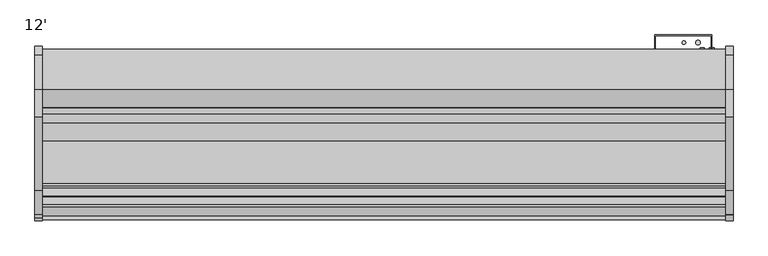
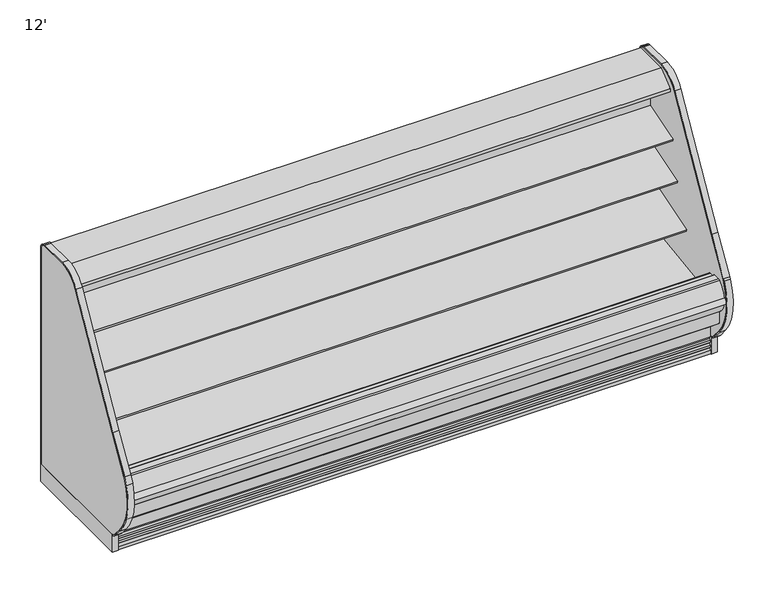
"""IFC4 building model written with IfcOpenShell, lengths in millimetres: proxy geometry, 12'."""

from ifc_helpers import new_model, si_unit, point, frame, frame_2d, origin, origin_with_axes, place, context, project, spatial, polyline, circle_curve, trimmed, segment, composite_curve, outline, extrude, source, transform, mapped, element, save
from ifc_brep_helpers import plane_surface, cylinder_surface, revolved_surface, advanced_brep


def proxy_12_2b42042c(model_context):
    return source(origin(), model_context, "Body", "SolidModel", [
        extrude(outline(composite_curve([segment(polyline([(-514.5091341, 1461.7730838), (-504.8016201, 1464.7713787), (-504.5349155, 1463.9078752), (-503.4677443, 1463.9078752), (-503.4677443, 1370.1435435), (-528.7629585, 1366.5907473)]), True, "CONTINUOUS"), segment(trimmed(circle_curve(frame_2d((-528.9028414, 1368.1644225)), 1.57988), [point((-528.7629585, 1366.5907473))], [point((-530.4673461, 1367.9445457))], False, "CARTESIAN"), True, "CONTINUOUS"), segment(polyline([(-530.4673461, 1367.9445457), (-531.3521558, 1374.2402938), (-530.5673882, 1374.3505857), (-529.5729936, 1367.2751005), (-505.9922352, 1370.58916), (-520.0882739, 1470.887687), (-542.8488553, 1467.8653314)]), True, "CONTINUOUS"), segment(trimmed(circle_curve(frame_2d((-542.745207, 1467.084783)), 0.7874), [point((-542.8488553, 1467.8653314))], [point((-543.5257554, 1466.9811347))], True, "CARTESIAN"), True, "CONTINUOUS"), segment(polyline([(-543.5257554, 1466.9811347), (-542.5026464, 1459.2763646), (-543.2831951, 1459.1727184), (-544.3063038, 1466.8774865)]), True, "CONTINUOUS"), segment(trimmed(circle_curve(frame_2d((-542.745207, 1467.084783)), 1.5748), [point((-544.3063038, 1466.8774865))], [point((-542.9525036, 1468.6458798))], False, "CARTESIAN"), True, "CONTINUOUS"), segment(polyline([(-542.9525036, 1468.6458798), (-518.9880924, 1471.8280909)]), True, "CONTINUOUS"), segment(trimmed(circle_curve(frame_2d((-518.7807959, 1470.2669941)), 1.5748), [point((-518.9880924, 1471.8280909))], [point((-517.2761312, 1470.7317298))], False, "CARTESIAN"), True, "CONTINUOUS"), segment(polyline([(-517.2761312, 1470.7317298), (-514.5091341, 1461.7730838)]), True, "CONTINUOUS")], self_intersect=False)), frame((0.0, 0.0, 0.0), z_axis=(1.0, 0.0, 0.0), x_axis=(0.0, 1.0, 0.0)), (0.0, 0.0, 1.0), 3657.6),
        extrude(outline(polyline([(-401.4996571, 1543.05), (-401.4996571, 1496.6220648), (-452.2996571, 1496.6220648), (-452.2996571, 1463.9078752), (-504.5349155, 1463.9078752), (-506.6141646, 1470.6398143), (-511.4086108, 1469.1589857), (-535.4786509, 1497.8445425), (-642.2469687, 1497.8445425), (-643.0851687, 1497.0063425), (-643.0851687, 1485.8811425), (-643.6432583, 1484.7023324), (-688.2811012, 1448.1263324), (-689.2470116, 1447.7811425), (-700.7436347, 1447.7811425), (-700.7436347, 1445.8493669), (-715.857653, 1445.8493669), (-715.857653, 1464.1183169), (-715.2644915, 1465.3619059), (-619.327685, 1543.05), (-401.4996571, 1543.05)])), frame((0.0, 0.0, 0.0), z_axis=(1.0, 0.0, 0.0), x_axis=(0.0, 1.0, 0.0)), (0.0, 0.0, 1.0), 3657.6),
        extrude(outline(composite_curve([segment(polyline([(-505.9922352, 1370.58916), (-529.5729936, 1367.2751005), (-530.5673882, 1374.3505857), (-542.4978224, 1459.2400359), (-543.5257554, 1466.9811347)]), True, "CONTINUOUS"), segment(trimmed(circle_curve(frame_2d((-542.745207, 1467.084783)), 0.7874), [point((-543.5257554, 1466.9811347))], [point((-542.8488553, 1467.8653314))], False, "CARTESIAN"), True, "CONTINUOUS"), segment(polyline([(-542.8488553, 1467.8653314), (-520.0882739, 1470.887687), (-505.9922352, 1370.58916)]), True, "CONTINUOUS")], self_intersect=False)), frame((0.0, 0.0, 0.0), z_axis=(1.0, 0.0, 0.0), x_axis=(0.0, 1.0, 0.0)), (0.0, 0.0, 1.0), 3657.6),
        extrude(outline(composite_curve([segment(trimmed(circle_curve(frame_2d((-586.8222651, 1471.8018376)), 14.2875), [point((-601.1097651, 1471.8018376))], [point((-572.5347651, 1471.8018376))], False, "CARTESIAN"), True, "CONTINUOUS"), segment(trimmed(circle_curve(frame_2d((-586.8222651, 1471.8018376)), 14.2875), [point((-572.5347651, 1471.8018376))], [point((-601.1097651, 1471.8018376))], False, "CARTESIAN"), True, "CONTINUOUS")], self_intersect=False)), frame((0.0, 0.0, 0.0), z_axis=(1.0, 0.0, 0.0), x_axis=(0.0, 1.0, 0.0)), (0.0, 0.0, 1.0), 1219.2),
        extrude(outline(composite_curve([segment(trimmed(circle_curve(frame_2d((-624.2110651, 1471.8018376)), 14.2875), [point((-638.4985651, 1471.8018376))], [point((-609.9235651, 1471.8018376))], False, "CARTESIAN"), True, "CONTINUOUS"), segment(trimmed(circle_curve(frame_2d((-624.2110651, 1471.8018376)), 14.2875), [point((-609.9235651, 1471.8018376))], [point((-638.4985651, 1471.8018376))], False, "CARTESIAN"), True, "CONTINUOUS")], self_intersect=False)), frame((0.0, 0.0, 0.0), z_axis=(1.0, 0.0, 0.0), x_axis=(0.0, 1.0, 0.0)), (0.0, 0.0, 1.0), 1219.2),
        extrude(outline(polyline([(3695.7, -385.6339273), (3695.7, -1152.4160029), (3657.6, -1152.4160029), (3657.6, -385.6339273), (3695.7, -385.6339273)])), origin_with_axes(), (0.0, 0.0, 1.0), 114.3),
        extrude(outline(composite_curve([segment(polyline([(-1152.4160029, 116.5798969), (-1152.4160029, 109.595887)]), True, "CONTINUOUS"), segment(trimmed(circle_curve(frame_2d((-1137.6967441, 171.4363524)), 63.5680717), [point((-1152.4160029, 109.595887))], [point((-1186.495575, 130.6984851))], False, "CARTESIAN"), True, "CONTINUOUS"), segment(polyline([(-1186.495575, 130.6984851), (-1238.6113068, 192.4078615)]), True, "CONTINUOUS"), segment(trimmed(circle_curve(frame_2d((-971.0702851, 416.9014342)), 349.25), [point((-1238.6113068, 192.4078615))], [point((-1290.6630685, 557.7418237))], False, "CARTESIAN"), True, "CONTINUOUS"), segment(trimmed(circle_curve(frame_2d((-1181.0473048, 509.9026614)), 119.6001718), [point((-1290.6630685, 557.7418237))], [point((-1283.5646612, 571.5013037))], False, "CARTESIAN"), True, "CONTINUOUS"), segment(polyline([(-1283.5646612, 571.5013037), (-1156.015482, 783.7787857), (-762.9420906, 1480.8530893)]), True, "CONTINUOUS"), segment(trimmed(circle_curve(frame_2d((-615.9139315, 1397.9453465)), 168.7926935), [point((-762.9420906, 1480.8530893))], [point((-615.9139315, 1566.73804))], False, "CARTESIAN"), True, "CONTINUOUS"), segment(polyline([(-615.9139315, 1566.73804), (-431.2380096, 1566.7610104)]), True, "CONTINUOUS"), segment(trimmed(circle_curve(frame_2d((-431.2324808, 1522.3110107)), 44.45), [point((-431.2380096, 1566.7610104))], [point((-386.7824808, 1522.3110107))], False, "CARTESIAN"), True, "CONTINUOUS"), segment(polyline([(-386.7824808, 1522.3110107), (-386.7824808, 114.3229711), (-393.1324808, 114.3229711), (-393.1324808, 1522.3110108)]), True, "CONTINUOUS"), segment(trimmed(circle_curve(frame_2d((-431.2324808, 1522.3110108)), 38.1), [point((-393.1324808, 1522.3110108))], [point((-431.2373794, 1560.4110104))], True, "CARTESIAN"), True, "CONTINUOUS"), segment(polyline([(-431.2373794, 1560.4110104), (-616.4365773, 1560.3871992)]), True, "CONTINUOUS"), segment(trimmed(circle_curve(frame_2d((-615.9139315, 1397.9453465)), 162.4426935), [point((-616.4365773, 1560.3871992))], [point((-757.4108748, 1477.7340908))], True, "CARTESIAN"), True, "CONTINUOUS"), segment(polyline([(-757.4108748, 1477.7340908), (-1150.5273223, 780.5834317), (-1281.3767651, 562.8133887)]), True, "CONTINUOUS"), segment(trimmed(circle_curve(frame_2d((-971.0702851, 416.9014342)), 342.9), [point((-1281.3767651, 562.8133887))], [point((-1233.7469246, 196.4895629))], True, "CARTESIAN"), True, "CONTINUOUS"), segment(polyline([(-1233.7469246, 196.4895629), (-1181.4257503, 135.1646002)]), True, "CONTINUOUS"), segment(trimmed(circle_curve(frame_2d((-1137.4891348, 171.8136543)), 57.2152021), [point((-1181.4257503, 135.1646002))], [point((-1152.4160029, 116.5798969))], True, "CARTESIAN"), True, "CONTINUOUS")], self_intersect=False)), frame((3657.6, 0.0, 0.0), z_axis=(1.0, 0.0, 0.0), x_axis=(0.0, 1.0, 0.0)), (0.0, 0.0, 1.0), 38.1),
        extrude(outline(composite_curve([segment(trimmed(circle_curve(frame_2d((-1137.0029315, 171.45)), 57.15), [point((-1152.4160029, 116.4176483))], [point((-1180.7823715, 134.7146881))], False, "CARTESIAN"), True, "CONTINUOUS"), segment(polyline([(-1180.7823715, 134.7146881), (-1233.7512633, 196.4665918)]), True, "CONTINUOUS"), segment(trimmed(circle_curve(frame_2d((-971.0746237, 416.8784632)), 342.9), [point((-1233.7512633, 196.4665918))], [point((-1281.3469933, 562.8629373))], False, "CARTESIAN"), True, "CONTINUOUS"), segment(polyline([(-1281.3469933, 562.8629373), (-1150.5273223, 780.5834317), (-757.4108748, 1477.7340908)]), True, "CONTINUOUS"), segment(trimmed(circle_curve(frame_2d((-615.9139315, 1397.9453465)), 162.4426935), [point((-757.4108748, 1477.7340908))], [point((-615.9139315, 1560.38804))], False, "CARTESIAN"), True, "CONTINUOUS"), segment(polyline([(-615.9139315, 1560.38804), (-430.0839273, 1560.38804)]), True, "CONTINUOUS"), segment(trimmed(circle_curve(frame_2d((-430.0839273, 1522.28804)), 38.1), [point((-430.0839273, 1560.38804))], [point((-391.9839273, 1522.28804))], False, "CARTESIAN"), True, "CONTINUOUS"), segment(polyline([(-391.9839273, 1522.28804), (-391.9839273, 114.3), (-1152.4160029, 114.3), (-1152.4160029, 116.4176483)]), True, "CONTINUOUS")], self_intersect=False)), frame((3657.6, 0.0, 0.0), z_axis=(1.0, 0.0, 0.0), x_axis=(0.0, 1.0, 0.0)), (0.0, 0.0, 1.0), 38.1),
        extrude(outline(composite_curve([segment(polyline([(-503.4770145, 920.8287489), (-520.8520366, 915.1919252)]), True, "CONTINUOUS"), segment(trimmed(circle_curve(frame_2d((-528.6901714, 939.3522986)), 25.4), [point((-520.8520366, 915.1919252))], [point((-538.1963728, 915.7982727))], False, "CARTESIAN"), True, "CONTINUOUS"), segment(polyline([(-538.1963728, 915.7982727), (-559.4917706, 924.3929113)]), True, "CONTINUOUS"), segment(trimmed(circle_curve(frame_2d((-583.257274, 865.5078465)), 63.5), [point((-559.4917706, 924.3929113))], [point((-594.1259367, 928.0707922))], True, "CARTESIAN"), True, "CONTINUOUS"), segment(polyline([(-594.1259367, 928.0707922), (-731.8940366, 910.7307584), (-734.3236807, 913.5856986), (-790.800009, 896.3191523), (-794.9587042, 909.9216311), (-503.4770145, 999.0365267), (-503.4770145, 920.8287489)]), True, "CONTINUOUS")], self_intersect=False)), frame((0.0, 0.0, 0.0), z_axis=(1.0, 0.0, 0.0), x_axis=(0.0, 1.0, 0.0)), (0.0, 0.0, 1.0), 3657.6),
        extrude(outline(composite_curve([segment(trimmed(circle_curve(frame_2d((-1293.046896, 431.6467295)), 19.6948721), [point((-1294.5628329, 412.0102858))], [point((-1294.1478613, 451.310805))], False, "CARTESIAN"), True, "CONTINUOUS"), segment(trimmed(circle_curve(frame_2d((-1122.0488977, 406.9971865)), 177.712549), [point((-1294.1478613, 451.310805))], [point((-1294.961171, 448.0227374))], True, "CARTESIAN"), True, "CONTINUOUS"), segment(trimmed(circle_curve(frame_2d((-1207.0580757, 430.9866152)), 89.5387269), [point((-1294.961171, 448.0227374))], [point((-1294.5628329, 412.0102858))], True, "CARTESIAN"), True, "CONTINUOUS")], self_intersect=False)), frame((0.0, 0.0, 0.0), z_axis=(1.0, 0.0, 0.0), x_axis=(0.0, 1.0, 0.0)), (0.0, 0.0, 1.0), 3657.6),
        extrude(outline(composite_curve([segment(trimmed(circle_curve(frame_2d((3497.8362287, -1007.9339273)), 12.7), [point((3485.1362287, -1007.9339273))], [point((3510.5362287, -1007.9339273))], False, "CARTESIAN"), True, "CONTINUOUS"), segment(trimmed(circle_curve(frame_2d((3497.8362287, -1007.9339273)), 12.7), [point((3510.5362287, -1007.9339273))], [point((3485.1362287, -1007.9339273))], False, "CARTESIAN"), True, "CONTINUOUS")], self_intersect=False)), frame((0.0, 0.0, 68.5310382), z_axis=(0.0, 0.0, 1.0), x_axis=(1.0, 0.0, 0.0)), (0.0, 0.0, 1.0), 52.7807458),
        extrude(outline(composite_curve([segment(trimmed(circle_curve(frame_2d((3447.63831, -1007.9339273)), 9.525), [point((3438.11331, -1007.9339273))], [point((3457.16331, -1007.9339273))], False, "CARTESIAN"), True, "CONTINUOUS"), segment(trimmed(circle_curve(frame_2d((3447.63831, -1007.9339273)), 9.525), [point((3457.16331, -1007.9339273))], [point((3438.11331, -1007.9339273))], False, "CARTESIAN"), True, "CONTINUOUS")], self_intersect=False)), frame((0.0, 0.0, 68.5310382), z_axis=(0.0, 0.0, 1.0), x_axis=(1.0, 0.0, 0.0)), (0.0, 0.0, 1.0), 52.7807458),
        extrude(outline(polyline([(0.0, -385.6339273), (0.0, -1152.4160029), (-38.1, -1152.4160029), (-38.1, -385.6339273), (0.0, -385.6339273)])), origin_with_axes(), (0.0, 0.0, 1.0), 114.3),
        extrude(outline(composite_curve([segment(polyline([(-1152.4160029, 116.5386609), (-1152.4160029, 109.5719159)]), True, "CONTINUOUS"), segment(trimmed(circle_curve(frame_2d((-1137.6993705, 171.4132571)), 63.5683156), [point((-1152.4160029, 109.5719159))], [point((-1186.4987719, 130.6756925))], False, "CARTESIAN"), True, "CONTINUOUS"), segment(polyline([(-1186.4987719, 130.6756925), (-1231.7344679, 184.4584385)]), True, "CONTINUOUS"), segment(trimmed(circle_curve(frame_2d((-971.0702851, 416.9014342)), 349.25), [point((-1231.7344679, 184.4584385))], [point((-1302.5796605, 526.7972782))], False, "CARTESIAN"), True, "CONTINUOUS"), segment(trimmed(circle_curve(frame_2d((-1021.326846, 433.5615578)), 296.3039744), [point((-1302.5796605, 526.7972782))], [point((-1283.5646612, 571.5013037))], False, "CARTESIAN"), True, "CONTINUOUS"), segment(polyline([(-1283.5646612, 571.5013037), (-1156.015482, 783.7787857), (-762.9420906, 1480.8530893)]), True, "CONTINUOUS"), segment(trimmed(circle_curve(frame_2d((-615.9139315, 1397.9453465)), 168.7926935), [point((-762.9420906, 1480.8530893))], [point((-615.9139315, 1566.73804))], False, "CARTESIAN"), True, "CONTINUOUS"), segment(polyline([(-615.9139315, 1566.73804), (-431.1541381, 1566.3062631)]), True, "CONTINUOUS"), segment(trimmed(circle_curve(frame_2d((-431.1541381, 1522.1043075)), 44.2019557), [point((-431.1541381, 1566.3062631))], [point((-386.9521824, 1522.1043075))], False, "CARTESIAN"), True, "CONTINUOUS"), segment(polyline([(-386.9521824, 1522.1043075), (-386.9521824, 114.3), (-393.1368195, 114.3), (-393.1368195, 1522.28804)]), True, "CONTINUOUS"), segment(trimmed(circle_curve(frame_2d((-431.2368195, 1522.28804)), 38.1), [point((-393.1368195, 1522.28804))], [point((-431.2368195, 1560.38804))], True, "CARTESIAN"), True, "CONTINUOUS"), segment(polyline([(-431.2368195, 1560.38804), (-615.9139315, 1560.38804)]), True, "CONTINUOUS"), segment(trimmed(circle_curve(frame_2d((-615.9139315, 1397.9453465)), 162.4426935), [point((-615.9139315, 1560.38804))], [point((-757.4108748, 1477.7340908))], True, "CARTESIAN"), True, "CONTINUOUS"), segment(polyline([(-757.4108748, 1477.7340908), (-1150.5273223, 780.5834317), (-1281.3469933, 562.8629373)]), True, "CONTINUOUS"), segment(trimmed(circle_curve(frame_2d((-971.0746237, 416.8784632)), 342.9), [point((-1281.3469933, 562.8629373))], [point((-1233.7512633, 196.4665918))], True, "CARTESIAN"), True, "CONTINUOUS"), segment(polyline([(-1233.7512633, 196.4665918), (-1181.2448323, 135.0745651)]), True, "CONTINUOUS"), segment(trimmed(circle_curve(frame_2d((-1137.3076402, 171.7232892)), 57.2154334), [point((-1181.2448323, 135.0745651))], [point((-1152.4160029, 116.5386609))], True, "CARTESIAN"), True, "CONTINUOUS")], self_intersect=False)), frame((-38.1, 0.0, 0.0), z_axis=(1.0, 0.0, 0.0), x_axis=(0.0, 1.0, 0.0)), (0.0, 0.0, 1.0), 38.1),
        extrude(outline(composite_curve([segment(trimmed(circle_curve(frame_2d((-1137.2511707, 171.7304997)), 57.2147041), [point((-1152.4160029, 116.562119))], [point((-1181.1891263, 135.0838297))], False, "CARTESIAN"), True, "CONTINUOUS"), segment(polyline([(-1181.1891263, 135.0838297), (-1233.4618414, 196.9898389)]), True, "CONTINUOUS"), segment(trimmed(circle_curve(frame_2d((-972.7472142, 417.1342414)), 341.2267205), [point((-1233.4618414, 196.9898389))], [point((-1282.8750242, 559.4592788))], False, "CARTESIAN"), True, "CONTINUOUS"), segment(trimmed(circle_curve(frame_2d((-1158.7397111, 498.0860076)), 138.4783535), [point((-1282.8750242, 559.4592788))], [point((-1277.4328013, 569.4176605))], False, "CARTESIAN"), True, "CONTINUOUS"), segment(polyline([(-1277.4328013, 569.4176605), (-1150.5273223, 780.5834317), (-757.4108748, 1477.7340908)]), True, "CONTINUOUS"), segment(trimmed(circle_curve(frame_2d((-615.9139315, 1397.9453465)), 162.4426935), [point((-757.4108748, 1477.7340908))], [point((-615.9139315, 1560.38804))], False, "CARTESIAN"), True, "CONTINUOUS"), segment(polyline([(-615.9139315, 1560.38804), (-431.2178632, 1560.2961463)]), True, "CONTINUOUS"), segment(trimmed(circle_curve(frame_2d((-431.2368195, 1522.196151)), 38.1), [point((-431.2178632, 1560.2961463))], [point((-393.1368195, 1522.196151))], False, "CARTESIAN"), True, "CONTINUOUS"), segment(polyline([(-393.1368195, 1522.196151), (-393.1368195, 114.2081157), (-1152.4160029, 114.2081157), (-1152.4160029, 116.562119)]), True, "CONTINUOUS")], self_intersect=False)), frame((-38.1, 0.0, 0.0), z_axis=(1.0, 0.0, 0.0), x_axis=(0.0, 1.0, 0.0)), (0.0, 0.0, 1.0), 38.1),
        extrude(outline(polyline([(3578.225, -401.5089273), (3578.225, -328.4839273), (3279.775, -328.4839273), (3279.775, -401.5089273), (3276.6, -401.5089273), (3276.6, -325.3089273), (3581.4, -325.3089273), (3581.4, -401.5089273), (3578.225, -401.5089273)])), frame((0.0, 0.0, 522.6122796), z_axis=(0.0, 0.0, 1.0), x_axis=(1.0, 0.0, 0.0)), (0.0, 0.0, 1.0), 828.7215991),
        advanced_brep(
        [(0.0, -401.5089273, 1496.6220648), (0.0, -401.5089273, 130.175), (0.0, -1092.9329421, 130.175), (0.0, -1242.6779256, 255.8259604), (0.0, -1242.6779256, 390.4771975), (0.0, -1191.6695874, 390.4771975), (0.0, -1191.6695874, 280.6965658), (0.0, -1081.6882807, 188.4112919), (0.0, -1075.5167374, 188.6268069), (0.0, -1036.8125365, 160.6272219), (0.0, -1035.5745571, 160.670453), (0.0, -1022.2030531, 151.6562137), (0.0, -961.9148015, 153.7615258), (0.0, -949.2046713, 163.6865559), (0.0, -947.966692, 163.7297871), (0.0, -911.2586215, 194.4039054), (0.0, -452.3089273, 210.4307819), (0.0, -452.3089273, 1496.6220648), (3657.6, -401.5089273, 1496.6220648), (3657.6, -452.3089273, 1496.6220648), (3657.6, -452.3089273, 210.4307819), (3657.6, -911.2586215, 194.4039054), (3657.6, -947.966692, 163.7297871), (3657.6, -949.2046713, 163.6865559), (3657.6, -961.9148015, 153.7615258), (3657.6, -1022.2030531, 151.6562137), (3657.6, -1035.5745571, 160.670453), (3657.6, -1036.8125365, 160.6272219), (3657.6, -1075.5167374, 188.6268069), (3657.6, -1081.6882807, 188.4112919), (3657.6, -1191.6695874, 280.6965658), (3657.6, -1191.6695874, 390.4771975), (3657.6, -1242.6779256, 390.4771975), (3657.6, -1242.6779256, 255.8259604), (3657.6, -1092.9329421, 130.175), (3657.6, -401.5089273, 130.175), (3556.0, -401.5089273, 368.3), (3556.0, -401.5089273, 266.7), (3556.0, -446.7209273, 266.7), (3556.0, -446.7209273, 368.3)],
        [
            (0, 1),
            (1, 2),
            (2, 3),
            (3, 4),
            (4, 5),
            (5, 6),
            (6, 7),
            (7, 8),
            (8, 9),
            (9, 10),
            (10, 11),
            (11, 12),
            (12, 13),
            (13, 14),
            (14, 15),
            (15, 16),
            (16, 17),
            (17, 0),
            (18, 19),
            (19, 20),
            (20, 21),
            (21, 22),
            (22, 23),
            (23, 24),
            (24, 25),
            (25, 26),
            (26, 27),
            (27, 28),
            (28, 29),
            (29, 30),
            (30, 31),
            (31, 32),
            (32, 33),
            (33, 34),
            (34, 35),
            (35, 18),
            (17, 19),
            (18, 0),
            (16, 20),
            (1, 35),
            (34, 2),
            (36, 37, circle_curve(frame((3556.0, -401.5089273, 317.5), z_axis=(0.0, -1.0, 0.0), x_axis=(0.0, 0.0, 1.0)), 50.8)),
            (37, 36, circle_curve(frame((3556.0, -401.5089273, 317.5), z_axis=(0.0, -1.0, 0.0), x_axis=(0.0, 0.0, 1.0)), 50.8)),
            (38, 39, circle_curve(frame((3556.0, -446.7209273, 317.5), z_axis=(0.0, 1.0, 0.0), x_axis=(0.0, 0.0, 1.0)), 50.8)),
            (39, 38, circle_curve(frame((3556.0, -446.7209273, 317.5), z_axis=(0.0, 1.0, 0.0), x_axis=(0.0, 0.0, 1.0)), 50.8)),
            (38, 37),
            (36, 39),
            (15, 21),
            (14, 22),
            (13, 23),
            (12, 24),
            (11, 25),
            (10, 26),
            (9, 27),
            (8, 28),
            (7, 29),
            (6, 30),
            (5, 31),
            (4, 32),
            (3, 33),
        ],
        [
            plane_surface(frame((0.0, -452.3089273, 1496.6220648), z_axis=(-1.0, 0.0, 0.0), x_axis=(0.0, 1.0, 0.0))),
            plane_surface(frame((3657.6, -452.3089273, 1496.6220648), z_axis=(1.0, 0.0, 0.0), x_axis=(0.0, -1.0, 0.0))),
            plane_surface(frame((3657.6, -401.5089273, 1496.6220648), z_axis=(0.0, 0.0, 1.0), x_axis=(-1.0, 0.0, 0.0))),
            plane_surface(frame((3657.6, -452.3089273, 1496.6220648), z_axis=(0.0, -1.0, 0.0), x_axis=(-1.0, 0.0, 0.0))),
            plane_surface(frame((3657.6, -1092.9329421, 130.175), z_axis=(0.0, 0.0, -1.0), x_axis=(-1.0, 0.0, 0.0))),
            plane_surface(frame((3657.6, -401.5089273, 130.175), z_axis=(0.0, 1.0, 0.0), x_axis=(-1.0, 0.0, 0.0))),
            plane_surface(frame((3556.0, -446.7209273, 368.3), z_axis=(0.0, 1.0, 0.0), x_axis=(-1.0, 0.0, 0.0))),
            revolved_surface(polyline([(3556.0, -401.5089273, 368.3), (3556.0, -446.7209273, 368.3)]), (3556.0, -446.7209273, 317.5), (0.0, 1.0, 0.0)),
            plane_surface(frame((3657.6, -452.3089273, 210.4307819), z_axis=(0.0, -0.034899496702464096, 0.9993908270190971), x_axis=(-1.0, 0.0, 0.0))),
            plane_surface(frame((3657.6, -911.2586215, 194.4039054), z_axis=(0.0, -0.6412208566386186, 0.7673563794037528), x_axis=(-1.0, 0.0, 0.0))),
            plane_surface(frame((3657.6, -947.966692, 163.7297871), z_axis=(0.0, -0.03489949670032392, 0.9993908270191718), x_axis=(-1.0, 0.0, 0.0))),
            plane_surface(frame((3657.6, -949.2046713, 163.6865559), z_axis=(0.0, -0.6154607629252682, 0.7881675261639793), x_axis=(-1.0, 0.0, 0.0))),
            plane_surface(frame((3657.6, -961.9148015, 153.7615258), z_axis=(0.0, -0.03489949670245096, 0.9993908270190975), x_axis=(-1.0, 0.0, 0.0))),
            plane_surface(frame((3657.6, -1022.2030531, 151.6562137), z_axis=(0.0, 0.5589817440968015, 0.8291799622316606), x_axis=(-1.0, 0.0, 0.0))),
            plane_surface(frame((3657.6, -1035.5745571, 160.670453), z_axis=(0.0, -0.03489949670146529, 0.999390827019132), x_axis=(-1.0, 0.0, 0.0))),
            plane_surface(frame((3657.6, -1036.8125365, 160.6272219), z_axis=(0.0, 0.5861307997256017, 0.810216443682197), x_axis=(-1.0, 0.0, 0.0))),
            plane_surface(frame((3657.6, -1075.5167374, 188.6268069), z_axis=(0.0, -0.034899496703538944, 0.9993908270190596), x_axis=(-1.0, 0.0, 0.0))),
            plane_surface(frame((3657.6, -1081.6882807, 188.4112919), z_axis=(0.0, 0.6427876096870883, 0.7660444431185175), x_axis=(-1.0, 0.0, 0.0))),
            plane_surface(frame((3657.6, -1191.6695874, 280.6965658), z_axis=(0.0, 1.0, 0.0), x_axis=(-1.0, 0.0, 0.0))),
            plane_surface(frame((3657.6, -1191.6695874, 390.4771975), z_axis=(0.0, 0.0, 1.0), x_axis=(-1.0, 0.0, 0.0))),
            plane_surface(frame((3657.6, -1242.6779256, 390.4771975), z_axis=(0.0, -1.0, 0.0), x_axis=(-1.0, 0.0, 0.0))),
            plane_surface(frame((3657.6, -1242.6779256, 255.8259604), z_axis=(0.0, -0.6427876096870784, -0.7660444431185257), x_axis=(-1.0, 0.0, 0.0))),
        ],
        [
            (0, [[1, 2, 3, 4, 5, 6, 7, 8, 9, 10, 11, 12, 13, 14, 15, 16, 17, 18]]),
            (1, [[19, 20, 21, 22, 23, 24, 25, 26, 27, 28, 29, 30, 31, 32, 33, 34, 35, 36]]),
            (2, [[-18, 37, -19, 38]]),
            (3, [[-17, 39, -20, -37]]),
            (4, [[-2, 40, -35, 41]]),
            (5, [[-1, -38, -36, -40], [42, 43]]),
            (6, [[44, 45]]),
            (7, [[-44, 46, -42, 47]]),
            (7, [[-45, -47, -43, -46]]),
            (8, [[-16, 48, -21, -39]]),
            (9, [[-15, 49, -22, -48]]),
            (10, [[-14, 50, -23, -49]]),
            (11, [[-13, 51, -24, -50]]),
            (12, [[-12, 52, -25, -51]]),
            (13, [[-11, 53, -26, -52]]),
            (14, [[-10, 54, -27, -53]]),
            (15, [[-9, 55, -28, -54]]),
            (16, [[-8, 56, -29, -55]]),
            (17, [[-7, 57, -30, -56]]),
            (18, [[-6, 58, -31, -57]]),
            (19, [[-5, 59, -32, -58]]),
            (20, [[-4, 60, -33, -59]]),
            (21, [[-3, -41, -34, -60]]),
        ],
    ),
        extrude(outline(composite_curve([segment(polyline([(-503.4770145, 1229.6443045), (-503.4770145, 1151.1243135), (-520.8520366, 1145.4874898)]), True, "CONTINUOUS"), segment(trimmed(circle_curve(frame_2d((-528.6901714, 1169.6478632)), 25.4), [point((-520.8520366, 1145.4874898))], [point((-538.1963728, 1146.0938373))], False, "CARTESIAN"), True, "CONTINUOUS"), segment(polyline([(-538.1963728, 1146.0938373), (-559.4917706, 1154.6884758)]), True, "CONTINUOUS"), segment(trimmed(circle_curve(frame_2d((-583.257274, 1095.8034111)), 63.5), [point((-559.4917706, 1154.6884758))], [point((-594.1259367, 1158.3663568))], True, "CARTESIAN"), True, "CONTINUOUS"), segment(polyline([(-594.1259367, 1158.3663568), (-683.313755, 1155.8788055), (-685.7433991, 1158.7337458), (-742.2197274, 1141.4671994), (-746.4657163, 1155.3552031), (-503.4770145, 1229.6443045)]), True, "CONTINUOUS")], self_intersect=False)), frame((0.0, 0.0, 0.0), z_axis=(1.0, 0.0, 0.0), x_axis=(0.0, 1.0, 0.0)), (0.0, 0.0, 1.0), 3657.6),
        extrude(outline(composite_curve([segment(polyline([(-503.4770145, 694.2615222), (-521.9044919, 688.2832597)]), True, "CONTINUOUS"), segment(trimmed(circle_curve(frame_2d((-528.6901714, 712.7600764)), 25.4), [point((-521.9044919, 688.2832597))], [point((-538.1963728, 689.2060505))], False, "CARTESIAN"), True, "CONTINUOUS"), segment(polyline([(-538.1963728, 689.2060505), (-559.4917706, 697.8006891)]), True, "CONTINUOUS"), segment(trimmed(circle_curve(frame_2d((-583.257274, 638.9156243)), 63.5), [point((-559.4917706, 697.8006891))], [point((-594.1259367, 701.47857))], True, "CARTESIAN"), True, "CONTINUOUS"), segment(polyline([(-594.1259367, 701.47857), (-829.0545998, 654.433571), (-831.4842439, 657.2885112), (-887.9605722, 640.0219649), (-892.1192674, 653.6244437), (-503.4770145, 772.4443045), (-503.4770145, 694.2615222)]), True, "CONTINUOUS")], self_intersect=False)), frame((0.0, 0.0, 0.0), z_axis=(1.0, 0.0, 0.0), x_axis=(0.0, 1.0, 0.0)), (0.0, 0.0, 1.0), 3657.6),
        extrude(outline(composite_curve([segment(polyline([(-1232.9683917, 539.75), (-1190.5503917, 539.75)]), True, "CONTINUOUS"), segment(trimmed(circle_curve(frame_2d((-1190.5503917, 536.575)), 3.175), [point((-1190.5503917, 539.75))], [point((-1187.3753917, 536.575))], False, "CARTESIAN"), True, "CONTINUOUS"), segment(polyline([(-1187.3753917, 536.575), (-1187.3753917, 522.6122796), (-1191.6695874, 522.6122796), (-1191.6695874, 390.4771975), (-1242.6779256, 390.4771975), (-1242.6779256, 349.7062579), (-1260.1512454, 349.7062579)]), True, "CONTINUOUS"), segment(trimmed(circle_curve(frame_2d((-1260.1512454, 355.8622108)), 6.1559529), [point((-1260.1512454, 349.7062579))], [point((-1264.7308437, 351.7484491))], False, "CARTESIAN"), True, "CONTINUOUS"), segment(trimmed(circle_curve(frame_2d((-1169.5637477, 436.1498983)), 127.2021258), [point((-1264.7308437, 351.7484491))], [point((-1296.5567312, 443.441191))], False, "CARTESIAN"), True, "CONTINUOUS"), segment(trimmed(circle_curve(frame_2d((-1122.94688, 405.0685499)), 177.8), [point((-1296.5567312, 443.441191))], [point((-1243.7548144, 535.5226912))], False, "CARTESIAN"), True, "CONTINUOUS"), segment(trimmed(circle_curve(frame_2d((-1232.9683917, 523.875)), 15.875), [point((-1243.7548144, 535.5226912))], [point((-1232.9683917, 539.75))], False, "CARTESIAN"), True, "CONTINUOUS")], self_intersect=False)), frame((0.0, 0.0, 0.0), z_axis=(1.0, 0.0, 0.0), x_axis=(0.0, 1.0, 0.0)), (0.0, 0.0, 1.0), 3657.6),
        extrude(outline(composite_curve([segment(polyline([(-1117.0624519, 150.4220627), (-1117.0624519, 0.0), (-1148.0584493, 0.0), (-1148.0584493, 21.591952)]), True, "CONTINUOUS"), segment(trimmed(circle_curve(frame_2d((-1147.5226258, 35.2873287)), 13.7058546), [point((-1148.0584493, 21.591952))], [point((-1134.4406464, 31.1992648))], True, "CARTESIAN"), True, "CONTINUOUS"), segment(polyline([(-1134.4406464, 31.1992648), (-1131.6258599, 40.2067021), (-1143.5826446, 40.2067021), (-1143.5826446, 52.9067021)]), True, "CONTINUOUS"), segment(trimmed(circle_curve(frame_2d((-1148.0005124, 66.4088493)), 14.2065314), [point((-1143.5826446, 52.9067021))], [point((-1134.4406464, 62.1714479))], True, "CARTESIAN"), True, "CONTINUOUS"), segment(polyline([(-1134.4406464, 62.1714479), (-1131.6258599, 71.1788852), (-1143.5826446, 71.1788852), (-1143.5826446, 83.8788852)]), True, "CONTINUOUS"), segment(trimmed(circle_curve(frame_2d((-1148.0728877, 97.4524489)), 14.2969897), [point((-1143.5826446, 83.8788852))], [point((-1134.4406464, 93.143631))], True, "CARTESIAN"), True, "CONTINUOUS"), segment(polyline([(-1134.4406464, 93.143631), (-1130.9515493, 104.1824391), (-1130.9515493, 107.8329403), (-1143.8191893, 107.8329403), (-1143.8191893, 172.8736313), (-1117.0624519, 150.4220627)]), True, "CONTINUOUS")], self_intersect=False)), frame((0.0, 0.0, 0.0), z_axis=(1.0, 0.0, 0.0), x_axis=(0.0, 1.0, 0.0)), (0.0, 0.0, 1.0), 3657.6),
        extrude(outline(composite_curve([segment(trimmed(circle_curve(frame_2d((3432.175, -366.5839273)), 9.525), [point((3422.65, -366.5839273))], [point((3441.7, -366.5839273))], False, "CARTESIAN"), True, "CONTINUOUS"), segment(trimmed(circle_curve(frame_2d((3432.175, -366.5839273)), 9.525), [point((3441.7, -366.5839273))], [point((3422.65, -366.5839273))], False, "CARTESIAN"), True, "CONTINUOUS")], self_intersect=False)), frame((0.0, 0.0, 1070.4944621), z_axis=(0.0, 0.0, 1.0), x_axis=(1.0, 0.0, 0.0)), (0.0, 0.0, 1.0), 291.1992178),
        extrude(outline(composite_curve([segment(trimmed(circle_curve(frame_2d((3508.375, -366.5839273)), 12.7), [point((3495.675, -366.5839273))], [point((3521.075, -366.5839273))], False, "CARTESIAN"), True, "CONTINUOUS"), segment(trimmed(circle_curve(frame_2d((3508.375, -366.5839273)), 12.7), [point((3521.075, -366.5839273))], [point((3495.675, -366.5839273))], False, "CARTESIAN"), True, "CONTINUOUS")], self_intersect=False)), frame((0.0, 0.0, 1070.4944621), z_axis=(0.0, 0.0, 1.0), x_axis=(1.0, 0.0, 0.0)), (0.0, 0.0, 1.0), 291.1992178),
        extrude(outline(composite_curve([segment(trimmed(circle_curve(frame_2d((317.5, 3581.4)), 12.7), [point((317.5, 3594.1))], [point((317.5, 3568.7))], False, "CARTESIAN"), True, "CONTINUOUS"), segment(trimmed(circle_curve(frame_2d((317.5, 3581.4)), 12.7), [point((317.5, 3568.7))], [point((317.5, 3594.1))], False, "CARTESIAN"), True, "CONTINUOUS")], self_intersect=False)), frame((0.0, -446.7209273, 0.0), z_axis=(0.0, 1.0, 0.0), x_axis=(0.0, 0.0, 1.0)), (0.0, 0.0, 1.0), 52.8518438),
        extrude(outline(composite_curve([segment(trimmed(circle_curve(frame_2d((317.5, 3530.6)), 9.525), [point((317.5, 3540.125))], [point((317.5, 3521.075))], False, "CARTESIAN"), True, "CONTINUOUS"), segment(trimmed(circle_curve(frame_2d((317.5, 3530.6)), 9.525), [point((317.5, 3521.075))], [point((317.5, 3540.125))], False, "CARTESIAN"), True, "CONTINUOUS")], self_intersect=False)), frame((0.0, -446.7209273, 0.0), z_axis=(0.0, 1.0, 0.0), x_axis=(0.0, 0.0, 1.0)), (0.0, 0.0, 1.0), 52.8518438),
        extrude(outline(composite_curve([segment(trimmed(circle_curve(frame_2d((1828.8, -988.8839273)), 38.1), [point((1790.7, -988.8839273))], [point((1866.9, -988.8839273))], False, "CARTESIAN"), True, "CONTINUOUS"), segment(trimmed(circle_curve(frame_2d((1828.8, -988.8839273)), 38.1), [point((1866.9, -988.8839273))], [point((1790.7, -988.8839273))], False, "CARTESIAN"), True, "CONTINUOUS")], self_intersect=False)), frame((0.0, 0.0, 68.5310382), z_axis=(0.0, 0.0, 1.0), x_axis=(1.0, 0.0, 0.0)), (0.0, 0.0, 1.0), 52.7807458),
        advanced_brep(
        [(0.0, -1018.0355073, 16.9113003), (0.0, -1117.0624519, 16.9113003), (0.0, -1117.0624519, 150.4220627), (0.0, -1092.9329421, 130.175), (0.0, -1018.0355073, 130.175), (3657.6, -1018.0355073, 16.9113003), (3657.6, -1018.0355073, 130.175), (3657.6, -1092.9329421, 130.175), (3657.6, -1117.0624519, 150.4220627), (3657.6, -1117.0624519, 16.9113003), (3526.4105208, -1018.0355073, 16.9113003), (3526.4105208, -1018.0355073, 121.311784), (3426.8394792, -1018.0355073, 121.311784), (3426.8394792, -1018.0355073, 16.9113003), (1870.4031896, -1018.0355073, 16.9113003), (1870.4031896, -1018.0355073, 121.311784), (1787.1968104, -1018.0355073, 121.311784), (1787.1968104, -1018.0355073, 16.9113003)],
        [
            (0, 1),
            (1, 2),
            (2, 3),
            (3, 4),
            (4, 0),
            (5, 6),
            (6, 7),
            (7, 8),
            (8, 9),
            (9, 5),
            (4, 6),
            (5, 10),
            (10, 11),
            (11, 12),
            (12, 13),
            (13, 14),
            (14, 15),
            (15, 16),
            (16, 17),
            (17, 0),
            (3, 7),
            (17, 14, circle_curve(frame((1828.8, -988.8839273, 16.9113003), z_axis=(0.0, 0.0, 1.0), x_axis=(1.0, 0.0, 0.0)), 50.8)),
            (13, 10, circle_curve(frame((3476.625, -1007.9339273, 16.9113003), z_axis=(0.0, 0.0, 1.0), x_axis=(1.0, 0.0, 0.0)), 50.8)),
            (9, 1),
            (15, 16, circle_curve(frame((1828.8, -988.8839273, 121.311784), z_axis=(0.0, 0.0, -1.0), x_axis=(1.0, 0.0, 0.0)), 50.8)),
            (8, 2),
            (11, 12, circle_curve(frame((3476.625, -1007.9339273, 121.311784), z_axis=(0.0, 0.0, -1.0), x_axis=(1.0, 0.0, 0.0)), 50.8)),
        ],
        [
            plane_surface(frame((0.0, -1018.0355073, 130.175), z_axis=(-1.0, 0.0, 0.0), x_axis=(0.0, 0.0, -1.0))),
            plane_surface(frame((3657.6, -1018.0355073, 130.175), z_axis=(1.0, 0.0, 0.0), x_axis=(0.0, 0.0, 1.0))),
            plane_surface(frame((3657.6, -1018.0355073, 16.9113003), z_axis=(0.0, 1.0, 0.0), x_axis=(-1.0, 0.0, 0.0))),
            plane_surface(frame((3657.6, -1018.0355073, 130.175), z_axis=(0.0, 0.0, 1.0), x_axis=(-1.0, 0.0, 0.0))),
            plane_surface(frame((3657.6, -1117.0624519, 16.9113003), z_axis=(0.0, 0.0, -1.0), x_axis=(-1.0, 0.0, 0.0))),
            plane_surface(frame((1879.6, -988.8839273, 121.311784), z_axis=(0.0, 0.0, -1.0), x_axis=(0.0, 1.0, 0.0))),
            revolved_surface(polyline([(1879.6, -988.8839273, 121.311784), (1879.6, -988.8839273, 16.9113003)]), (1828.8, -988.8839273, 0.0), (0.0, 0.0, 1.0)),
            plane_surface(frame((3657.6, -1117.0624519, 150.4220627), z_axis=(0.0, -1.0, 0.0), x_axis=(-1.0, 0.0, 0.0))),
            plane_surface(frame((3657.6, -1092.9329421, 130.175), z_axis=(0.0, 0.6427876096870792, 0.766044443118525), x_axis=(-1.0, 0.0, 0.0))),
            plane_surface(frame((3527.425, -1007.9339273, 121.311784), z_axis=(0.0, 0.0, -1.0), x_axis=(0.0, 1.0, 0.0))),
            revolved_surface(polyline([(3527.425, -1007.9339273, 121.311784), (3527.425, -1007.9339273, 16.9113003)]), (3476.625, -1007.9339273, 0.0), (0.0, 0.0, 1.0)),
        ],
        [
            (0, [[1, 2, 3, 4, 5]]),
            (1, [[6, 7, 8, 9, 10]]),
            (2, [[-5, 11, -6, 12, 13, 14, 15, 16, 17, 18, 19, 20]]),
            (3, [[-4, 21, -7, -11]]),
            (4, [[-1, -20, 22, -16, 23, -12, -10, 24]]),
            (5, [[25, -18]]),
            (6, [[-25, -17, -22, -19]]),
            (7, [[-2, -24, -9, 26]]),
            (8, [[-3, -26, -8, -21]]),
            (9, [[27, -14]]),
            (10, [[-27, -13, -23, -15]]),
        ],
    ),
        advanced_brep(
        [(0.0, -401.5089273, 130.175), (0.0, -401.5089273, 0.0), (0.0, -446.7209273, 0.0), (0.0, -446.7209273, 74.8810382), (0.0, -972.7046625, 74.8810382), (0.0, -972.7046625, 0.0), (0.0, -1018.0355073, 0.0), (0.0, -1018.0355073, 130.175), (3657.6, -401.5089273, 130.175), (3657.6, -1018.0355073, 130.175), (3657.6, -1018.0355073, 0.0), (3657.6, -972.7046625, 0.0), (3657.6, -972.7046625, 74.8810382), (3657.6, -446.7209273, 74.8810382), (3657.6, -446.7209273, 0.0), (3657.6, -401.5089273, 0.0), (1787.1968104, -1018.0355073, 0.0), (1787.1968104, -1018.0355073, 121.311784), (1870.4031896, -1018.0355073, 121.311784), (1870.4031896, -1018.0355073, 0.0), (3426.8394792, -1018.0355073, 0.0), (3426.8394792, -1018.0355073, 121.311784), (3526.4105208, -1018.0355073, 121.311784), (3526.4105208, -1018.0355073, 0.0), (1780.6453388, -972.7046625, 0.0), (1778.0, -988.8839273, 0.0), (3527.425, -1007.9339273, 0.0), (3513.2247118, -972.7046625, 0.0), (1879.6, -988.8839273, 0.0), (1876.9546612, -972.7046625, 0.0), (3440.0252882, -972.7046625, 0.0), (3425.825, -1007.9339273, 0.0), (1780.6453388, -972.7046625, 74.8810382), (3513.2247118, -972.7046625, 74.8810382), (1876.9546612, -972.7046625, 74.8810382), (3440.0252882, -972.7046625, 74.8810382), (1778.0, -988.8839273, 121.311784), (1879.6, -988.8839273, 121.311784), (3425.825, -1007.9339273, 121.311784), (3527.425, -1007.9339273, 121.311784)],
        [
            (0, 1),
            (1, 2),
            (2, 3),
            (3, 4),
            (4, 5),
            (5, 6),
            (6, 7),
            (7, 0),
            (8, 9),
            (9, 10),
            (10, 11),
            (11, 12),
            (12, 13),
            (13, 14),
            (14, 15),
            (15, 8),
            (7, 9),
            (8, 0),
            (6, 16),
            (16, 17),
            (17, 18),
            (18, 19),
            (19, 20),
            (20, 21),
            (21, 22),
            (22, 23),
            (23, 10),
            (5, 24),
            (24, 25, circle_curve(frame((1828.8, -988.8839273, 0.0), z_axis=(0.0, 0.0, 1.0), x_axis=(1.0, 0.0, 0.0)), 50.8)),
            (25, 16, circle_curve(frame((1828.8, -988.8839273, 0.0), z_axis=(0.0, 0.0, 1.0), x_axis=(1.0, 0.0, 0.0)), 50.8)),
            (23, 26, circle_curve(frame((3476.625, -1007.9339273, 0.0), z_axis=(0.0, 0.0, 1.0), x_axis=(1.0, 0.0, 0.0)), 50.8)),
            (26, 27, circle_curve(frame((3476.625, -1007.9339273, 0.0), z_axis=(0.0, 0.0, 1.0), x_axis=(1.0, 0.0, 0.0)), 50.8)),
            (27, 11),
            (19, 28, circle_curve(frame((1828.8, -988.8839273, 0.0), z_axis=(0.0, 0.0, 1.0), x_axis=(1.0, 0.0, 0.0)), 50.8)),
            (28, 29, circle_curve(frame((1828.8, -988.8839273, 0.0), z_axis=(0.0, 0.0, 1.0), x_axis=(1.0, 0.0, 0.0)), 50.8)),
            (29, 30),
            (30, 31, circle_curve(frame((3476.625, -1007.9339273, 0.0), z_axis=(0.0, 0.0, 1.0), x_axis=(1.0, 0.0, 0.0)), 50.8)),
            (31, 20, circle_curve(frame((3476.625, -1007.9339273, 0.0), z_axis=(0.0, 0.0, 1.0), x_axis=(1.0, 0.0, 0.0)), 50.8)),
            (4, 32),
            (32, 24),
            (27, 33),
            (33, 12),
            (29, 34),
            (34, 35),
            (35, 30),
            (3, 13),
            (33, 35, circle_curve(frame((3476.625, -1007.9339273, 74.8810382), z_axis=(0.0, 0.0, 1.0), x_axis=(1.0, 0.0, 0.0)), 50.8)),
            (34, 32, circle_curve(frame((1828.8, -988.8839273, 74.8810382), z_axis=(0.0, 0.0, 1.0), x_axis=(1.0, 0.0, 0.0)), 50.8)),
            (2, 14),
            (1, 15),
            (36, 37, circle_curve(frame((1828.8, -988.8839273, 121.311784), z_axis=(0.0, 0.0, -1.0), x_axis=(1.0, 0.0, 0.0)), 50.8)),
            (37, 18, circle_curve(frame((1828.8, -988.8839273, 121.311784), z_axis=(0.0, 0.0, -1.0), x_axis=(1.0, 0.0, 0.0)), 50.8)),
            (17, 36, circle_curve(frame((1828.8, -988.8839273, 121.311784), z_axis=(0.0, 0.0, -1.0), x_axis=(1.0, 0.0, 0.0)), 50.8)),
            (37, 28),
            (25, 36),
            (38, 39, circle_curve(frame((3476.625, -1007.9339273, 121.311784), z_axis=(0.0, 0.0, -1.0), x_axis=(1.0, 0.0, 0.0)), 50.8)),
            (39, 22, circle_curve(frame((3476.625, -1007.9339273, 121.311784), z_axis=(0.0, 0.0, -1.0), x_axis=(1.0, 0.0, 0.0)), 50.8)),
            (21, 38, circle_curve(frame((3476.625, -1007.9339273, 121.311784), z_axis=(0.0, 0.0, -1.0), x_axis=(1.0, 0.0, 0.0)), 50.8)),
            (39, 26),
            (31, 38),
        ],
        [
            plane_surface(frame((0.0, -1205.8783654, 130.175), z_axis=(-1.0, 0.0, 0.0), x_axis=(0.0, 1.0, 0.0))),
            plane_surface(frame((3657.6, -1205.8783654, 130.175), z_axis=(1.0, 0.0, 0.0), x_axis=(0.0, -1.0, 0.0))),
            plane_surface(frame((3657.6, -401.5089273, 130.175), z_axis=(0.0, 0.0, 1.0), x_axis=(-1.0, 0.0, 0.0))),
            plane_surface(frame((3657.6, -1018.0355073, 130.175), z_axis=(0.0, -1.0, 0.0), x_axis=(-1.0, 0.0, 0.0))),
            plane_surface(frame((3657.6, -1018.0355073, 0.0), z_axis=(0.0, 0.0, -1.0), x_axis=(-1.0, 0.0, 0.0))),
            plane_surface(frame((3657.6, -972.7046625, 0.0), z_axis=(0.0, 1.0, 0.0), x_axis=(-1.0, 0.0, 0.0))),
            plane_surface(frame((3657.6, -972.7046625, 74.8810382), z_axis=(0.0, 0.0, -1.0), x_axis=(-1.0, 0.0, 0.0))),
            plane_surface(frame((3657.6, -446.7209273, 74.8810382), z_axis=(0.0, -1.0, 0.0), x_axis=(-1.0, 0.0, 0.0))),
            plane_surface(frame((3657.6, -446.7209273, 0.0), z_axis=(0.0, 0.0, -1.0), x_axis=(-1.0, 0.0, 0.0))),
            plane_surface(frame((3657.6, -401.5089273, 0.0), z_axis=(0.0, 1.0, 0.0), x_axis=(-1.0, 0.0, 0.0))),
            plane_surface(frame((1879.6, -988.8839273, 121.311784), z_axis=(0.0, 0.0, -1.0), x_axis=(0.0, 1.0, 0.0))),
            revolved_surface(polyline([(1879.6, -988.8839273, 121.311784), (1879.6, -988.8839273, 0.0)]), (1828.8, -988.8839273, 0.0), (0.0, 0.0, 1.0)),
            plane_surface(frame((3527.425, -1007.9339273, 121.311784), z_axis=(0.0, 0.0, -1.0), x_axis=(0.0, 1.0, 0.0))),
            revolved_surface(polyline([(3527.425, -1007.9339273, 121.311784), (3527.425, -1007.9339273, 0.0)]), (3476.625, -1007.9339273, 0.0), (0.0, 0.0, 1.0)),
        ],
        [
            (0, [[1, 2, 3, 4, 5, 6, 7, 8]]),
            (1, [[9, 10, 11, 12, 13, 14, 15, 16]]),
            (2, [[-8, 17, -9, 18]]),
            (3, [[-7, 19, 20, 21, 22, 23, 24, 25, 26, 27, -10, -17]]),
            (4, [[-6, 28, 29, 30, -19]]),
            (4, [[-11, -27, 31, 32, 33]]),
            (4, [[34, 35, 36, 37, 38, -23]]),
            (5, [[-5, 39, 40, -28]]),
            (5, [[-12, -33, 41, 42]]),
            (5, [[43, 44, 45, -36]]),
            (6, [[-4, 46, -13, -42, 47, -44, 48, -39]]),
            (7, [[-3, 49, -14, -46]]),
            (8, [[-2, 50, -15, -49]]),
            (9, [[-1, -18, -16, -50]]),
            (10, [[51, 52, -21, 53]]),
            (11, [[54, -34, -22, -52]]),
            (11, [[55, -53, -20, -30]]),
            (11, [[-51, -55, -29, -40, -48, -43, -35, -54]]),
            (12, [[56, 57, -25, 58]]),
            (13, [[59, -31, -26, -57]]),
            (13, [[60, -58, -24, -38]]),
            (13, [[-56, -60, -37, -45, -47, -41, -32, -59]]),
        ],
    ),
        extrude(outline(polyline([(688.975, -552.9627532), (688.975, -932.4775263), (180.975, -932.4775263), (180.975, -552.9627532), (688.975, -552.9627532)])), frame((0.0, 0.0, 68.5310382), z_axis=(0.0, 0.0, 1.0), x_axis=(1.0, 0.0, 0.0)), (0.0, 0.0, 1.0), 6.35),
        extrude(outline(polyline([(3657.6, -452.3089273), (3657.6, -503.4770145), (0.0, -503.4770145), (0.0, -452.3089273), (3657.6, -452.3089273)])), frame((0.0, 0.0, 415.8429537), z_axis=(0.0, 0.0, 1.0), x_axis=(1.0, 0.0, 0.0)), (0.0, 0.0, 1.0), 1048.0649215),
        advanced_brep(
        [(0.0, -503.4770145, 415.8429537), (0.0, -452.3089273, 415.8429537), (0.0, -452.3089273, 210.4307819), (0.0, -911.2586215, 194.4039054), (0.0, -947.966692, 163.7297871), (0.0, -949.2046713, 163.6865559), (0.0, -961.9148015, 153.7615258), (0.0, -1022.2030531, 151.6562137), (0.0, -1035.5745571, 160.670453), (0.0, -1036.8125365, 160.6272219), (0.0, -1075.5167374, 188.6268069), (0.0, -1081.6882807, 188.4112919), (0.0, -1191.6695874, 280.6965658), (0.0, -1191.6695874, 390.4771975), (0.0, -1191.6695874, 522.6122796), (0.0, -1143.2268145, 522.6122796), (0.0, -1135.3020145, 514.6874796), (0.0, -1135.3020145, 377.7429537), (0.0, -1117.2993145, 377.7429537), (0.0, -594.8547877, 450.4013198), (0.0, -515.2911073, 458.1248825), (0.0, -503.4770145, 470.7939459), (3657.6, -503.4770145, 415.8429537), (3657.6, -503.4770145, 470.7939459), (3657.6, -515.2911073, 458.1248825), (3657.6, -594.8547877, 450.4013198), (3657.6, -1117.2993145, 377.7429537), (3657.6, -1135.3020145, 377.7429537), (3657.6, -1135.3020145, 514.6874796), (3657.6, -1143.2268145, 522.6122796), (3657.6, -1191.6695874, 522.6122796), (3657.6, -1191.6695874, 390.4771975), (3657.6, -1191.6695874, 280.6965658), (3657.6, -1081.6882807, 188.4112919), (3657.6, -1075.5167374, 188.6268069), (3657.6, -1036.8125365, 160.6272219), (3657.6, -1035.5745571, 160.670453), (3657.6, -1022.2030531, 151.6562137), (3657.6, -961.9148015, 153.7615258), (3657.6, -949.2046713, 163.6865559), (3657.6, -947.966692, 163.7297871), (3657.6, -911.2586215, 194.4039054), (3657.6, -452.3089273, 210.4307819), (3657.6, -452.3089273, 415.8429537)],
        [
            (0, 1),
            (1, 2),
            (2, 3),
            (3, 4),
            (4, 5),
            (5, 6),
            (6, 7),
            (7, 8),
            (8, 9),
            (9, 10),
            (10, 11),
            (11, 12),
            (12, 13),
            (13, 14),
            (14, 15),
            (15, 16, circle_curve(frame((0.0, -1143.2268145, 514.6874796), z_axis=(-1.0, 0.0, 0.0), x_axis=(0.0, 1.0, 0.0)), 7.9248)),
            (16, 17),
            (17, 18),
            (18, 19),
            (19, 20),
            (20, 21, circle_curve(frame((0.0, -516.1770145, 470.7939459), z_axis=(1.0, 0.0, 0.0), x_axis=(0.0, 1.0, 0.0)), 12.7)),
            (21, 0),
            (22, 23),
            (23, 24, circle_curve(frame((3657.6, -516.1770145, 470.7939459), z_axis=(-1.0, 0.0, 0.0), x_axis=(0.0, 1.0, 0.0)), 12.7)),
            (24, 25),
            (25, 26),
            (26, 27),
            (27, 28),
            (28, 29, circle_curve(frame((3657.6, -1143.2268145, 514.6874796), z_axis=(1.0, 0.0, 0.0), x_axis=(0.0, 1.0, 0.0)), 7.9248)),
            (29, 30),
            (30, 31),
            (31, 32),
            (32, 33),
            (33, 34),
            (34, 35),
            (35, 36),
            (36, 37),
            (37, 38),
            (38, 39),
            (39, 40),
            (40, 41),
            (41, 42),
            (42, 43),
            (43, 22),
            (42, 2),
            (1, 43),
            (0, 22),
            (21, 23),
            (20, 24),
            (19, 25),
            (18, 26),
            (17, 27),
            (16, 28),
            (15, 29),
            (14, 30),
            (13, 31),
            (12, 32),
            (11, 33),
            (10, 34),
            (9, 35),
            (8, 36),
            (7, 37),
            (6, 38),
            (5, 39),
            (4, 40),
            (3, 41),
        ],
        [
            plane_surface(frame((0.0, -503.4770145, 1092.9956953), z_axis=(-1.0, 0.0, 0.0), x_axis=(0.0, 0.0, -1.0))),
            plane_surface(frame((3657.6, -503.4770145, 1092.9956953), z_axis=(1.0, 0.0, 0.0), x_axis=(0.0, 0.0, 1.0))),
            plane_surface(frame((3657.6, -452.3089273, 210.4307819), z_axis=(0.0, 1.0, 0.0), x_axis=(-1.0, 0.0, 0.0))),
            plane_surface(frame((3657.6, -452.3089273, 415.8429537), z_axis=(0.0, 0.0, 1.0), x_axis=(-1.0, 0.0, 0.0))),
            plane_surface(frame((3657.6, -503.4770145, 415.8429537), z_axis=(0.0, 1.0, 0.0), x_axis=(-1.0, 0.0, 0.0))),
            revolved_surface(polyline([(0.0, -503.47701450000005, 470.7939459), (3657.6, -503.47701450000005, 470.7939459)]), (0.0, -516.1770145, 470.7939459), (-1.0, 0.0, 0.0)),
            plane_surface(frame((3657.6, -515.2911073, 458.1248825), z_axis=(0.0, -0.09661980044750253, 0.9953213622551688), x_axis=(-1.0, 0.0, 0.0))),
            plane_surface(frame((3657.6, -594.8547877, 450.4013198), z_axis=(0.0, -0.13774808941565955, 0.9904672957055853), x_axis=(-1.0, 0.0, 0.0))),
            plane_surface(frame((3657.6, -1117.2993145, 377.7429537), z_axis=(0.0, 0.0, 1.0), x_axis=(-1.0, 0.0, 0.0))),
            plane_surface(frame((3657.6, -1135.3020145, 377.7429537), z_axis=(0.0, 1.0, 0.0), x_axis=(-1.0, 0.0, 0.0))),
            cylinder_surface(frame((0.0, -1143.2268145, 514.6874796), z_axis=(1.0, 0.0, 0.0), x_axis=(0.0, 1.0, 0.0)), 7.9248),
            plane_surface(frame((3657.6, -1143.2268145, 522.6122796), z_axis=(0.0, 0.0, 1.0), x_axis=(-1.0, 0.0, 0.0))),
            plane_surface(frame((3657.6, -1191.6695874, 522.6122796), z_axis=(0.0, -1.0, 0.0), x_axis=(-1.0, 0.0, 0.0))),
            plane_surface(frame((3657.6, -1191.6695874, 390.4771975), z_axis=(0.0, -1.0, 0.0), x_axis=(-1.0, 0.0, 0.0))),
            plane_surface(frame((3657.6, -1191.6695874, 280.6965658), z_axis=(0.0, -0.6427876096870885, -0.7660444431185174), x_axis=(-1.0, 0.0, 0.0))),
            plane_surface(frame((3657.6, -1081.6882807, 188.4112919), z_axis=(0.0, 0.03489949670352723, -0.9993908270190599), x_axis=(-1.0, 0.0, 0.0))),
            plane_surface(frame((3657.6, -1075.5167374, 188.6268069), z_axis=(0.0, -0.5861307997256017, -0.810216443682197), x_axis=(-1.0, 0.0, 0.0))),
            plane_surface(frame((3657.6, -1036.8125365, 160.6272219), z_axis=(0.0, 0.03489949670146529, -0.999390827019132), x_axis=(-1.0, 0.0, 0.0))),
            plane_surface(frame((3657.6, -1035.5745571, 160.670453), z_axis=(0.0, -0.5589817440968015, -0.8291799622316606), x_axis=(-1.0, 0.0, 0.0))),
            plane_surface(frame((3657.6, -1022.2030531, 151.6562137), z_axis=(0.0, 0.03489949670245123, -0.9993908270190974), x_axis=(-1.0, 0.0, 0.0))),
            plane_surface(frame((3657.6, -961.9148015, 153.7615258), z_axis=(0.0, 0.6154607629252682, -0.7881675261639793), x_axis=(-1.0, 0.0, 0.0))),
            plane_surface(frame((3657.6, -949.2046713, 163.6865559), z_axis=(0.0, 0.03489949670032392, -0.9993908270191718), x_axis=(-1.0, 0.0, 0.0))),
            plane_surface(frame((3657.6, -947.966692, 163.7297871), z_axis=(0.0, 0.6412208566386186, -0.7673563794037528), x_axis=(-1.0, 0.0, 0.0))),
            plane_surface(frame((3657.6, -911.2586215, 194.4039054), z_axis=(0.0, 0.03489949670246395, -0.9993908270190971), x_axis=(-1.0, 0.0, 0.0))),
        ],
        [
            (0, [[1, 2, 3, 4, 5, 6, 7, 8, 9, 10, 11, 12, 13, 14, 15, 16, 17, 18, 19, 20, 21, 22]]),
            (1, [[23, 24, 25, 26, 27, 28, 29, 30, 31, 32, 33, 34, 35, 36, 37, 38, 39, 40, 41, 42, 43, 44]]),
            (2, [[-43, 45, -2, 46]]),
            (3, [[-44, -46, -1, 47]]),
            (4, [[-23, -47, -22, 48]]),
            (5, [[-24, -48, -21, 49]]),
            (6, [[-25, -49, -20, 50]]),
            (7, [[-26, -50, -19, 51]]),
            (8, [[-27, -51, -18, 52]]),
            (9, [[-28, -52, -17, 53]]),
            (10, [[-29, -53, -16, 54]]),
            (11, [[-30, -54, -15, 55]]),
            (12, [[-31, -55, -14, 56]]),
            (13, [[-32, -56, -13, 57]]),
            (14, [[-33, -57, -12, 58]]),
            (15, [[-34, -58, -11, 59]]),
            (16, [[-35, -59, -10, 60]]),
            (17, [[-36, -60, -9, 61]]),
            (18, [[-37, -61, -8, 62]]),
            (19, [[-38, -62, -7, 63]]),
            (20, [[-39, -63, -6, 64]]),
            (21, [[-40, -64, -5, 65]]),
            (22, [[-41, -65, -4, 66]]),
            (23, [[-42, -66, -3, -45]]),
        ],
    ),
    ])


if __name__ == "__main__":
    model = new_model("IFC4")
    model_context = context("Model", 3, world=origin())
    ifc_project = project(units=[si_unit("LENGTHUNIT", "METRE", prefix="MILLI")], contexts=[model_context])
    site = spatial("IfcSite", under=ifc_project)
    building = spatial("IfcBuilding", under=site)
    placement = place(None, origin())
    proxy_12_shape = proxy_12_2b42042c(model_context)
    element("IfcBuildingElementProxy", 1, Name="12'", ObjectType="12'", at=placement, inside=building, context=model_context, shape_type="MappedRepresentation", body=[
        mapped(proxy_12_shape, transform((0.0, 0.0, 0.0), x_axis=(1.0, 0.0, 0.0), y_axis=(0.0, 1.0, 0.0), z_axis=(0.0, 0.0, 1.0))),
    ])
    save(model, "model.ifc")
